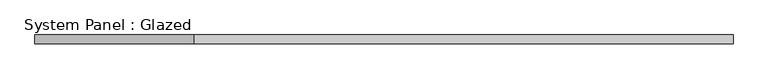
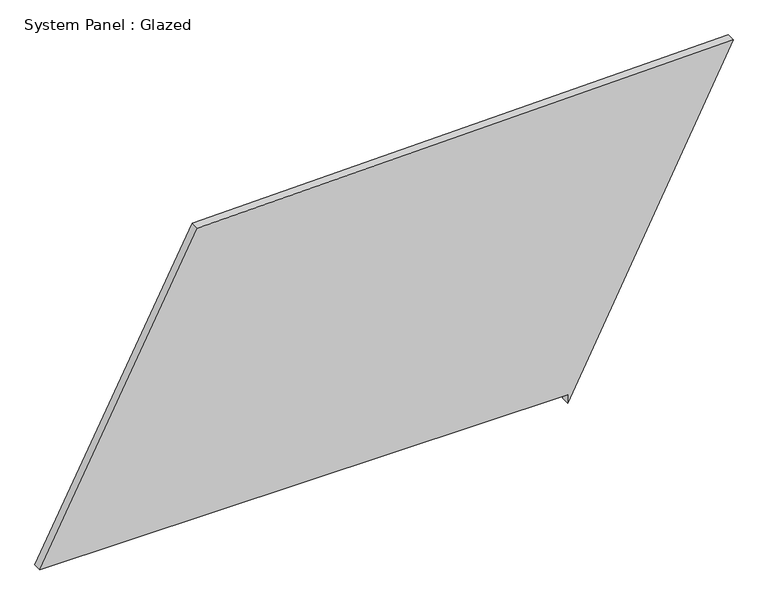
"""IFC4 building model written with IfcOpenShell, lengths in millimetres: plate geometry, System Panel : Glazed."""

from ifc_helpers import new_model, si_unit, frame, origin, place, context, project, spatial, polyline, outline, extrude, source, transform, mapped, element, save


def system_panel_glazed_bdacea9e(model_context):
    return source(origin(), model_context, "Body", "SweptSolid", [
        extrude(outline(polyline([(25.0, 516.8451165), (0.0, 516.8451165), (931.0576699, 989.3376806), (898.5933383, -539.6912848), (25.0, -989.3376806), (25.0, 516.8451165)])), frame((0.0, -49.5, 0.0), z_axis=(0.0, 1.0, 0.0), x_axis=(0.0, 0.0, 1.0)), (0.0, 0.0, 1.0), 25.0),
    ])


if __name__ == "__main__":
    model = new_model("IFC4")
    model_context = context("Model", 3, world=origin())
    ifc_project = project(units=[si_unit("LENGTHUNIT", "METRE", prefix="MILLI")], contexts=[model_context])
    site = spatial("IfcSite", under=ifc_project)
    building = spatial("IfcBuilding", under=site)
    placement = place(None, origin())
    system_panel_glazed_shape = system_panel_glazed_bdacea9e(model_context)
    element("IfcPlate", 1, ObjectType="System Panel : Glazed", at=placement, inside=building, context=model_context, shape_type="MappedRepresentation", body=[
        mapped(system_panel_glazed_shape, transform((0.0, 0.0, 0.0), x_axis=(1.0, 0.0, 0.0), y_axis=(0.0, 1.0, 0.0), z_axis=(0.0, 0.0, 1.0))),
    ])
    save(model, "model.ifc")
